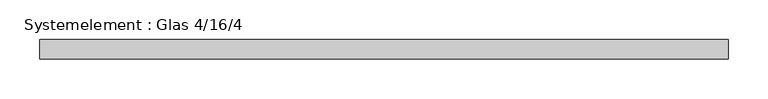
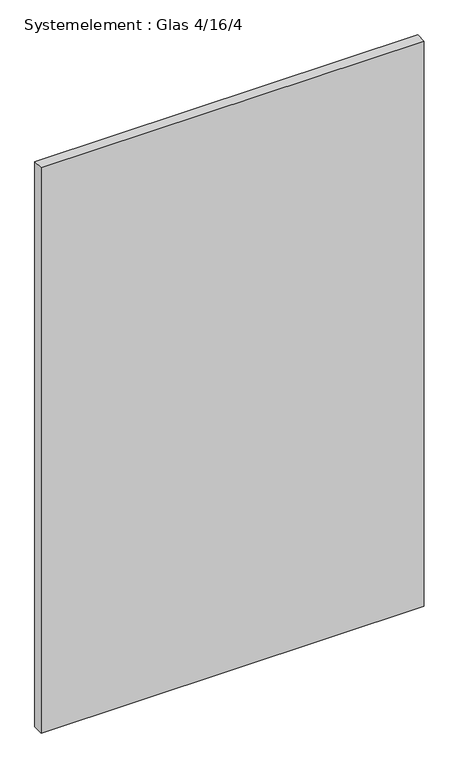
"""IFC4 building model written with IfcOpenShell, lengths in millimetres: plate geometry, Systemelement : Glas 4/16/4."""

from ifc_helpers import new_model, si_unit, origin, origin_with_axes, place, context, project, spatial, polyline, outline, extrude, source, transform, mapped, element, save


def systemelement_glas_4_16_4_74ad9eb2(model_context):
    return source(origin(), model_context, "Body", "SweptSolid", [
        extrude(outline(polyline([(431.2499999, -12.0), (-431.2499999, -12.0), (-431.2499999, 12.0), (431.2499999, 12.0), (431.2499999, -12.0)])), origin_with_axes(), (0.0, 0.0, 1.0), 1345.0),
    ])


if __name__ == "__main__":
    model = new_model("IFC4")
    model_context = context("Model", 3, world=origin())
    ifc_project = project(units=[si_unit("LENGTHUNIT", "METRE", prefix="MILLI")], contexts=[model_context])
    site = spatial("IfcSite", under=ifc_project)
    building = spatial("IfcBuilding", under=site)
    placement = place(None, origin())
    systemelement_glas_4_16_4_shape = systemelement_glas_4_16_4_74ad9eb2(model_context)
    element("IfcPlate", 1, ObjectType="Systemelement : Glas 4/16/4", at=placement, inside=building, context=model_context, shape_type="MappedRepresentation", body=[
        mapped(systemelement_glas_4_16_4_shape, transform((0.0, 0.0, 0.0), x_axis=(1.0, 0.0, 0.0), y_axis=(0.0, 1.0, 0.0), z_axis=(0.0, 0.0, 1.0))),
    ])
    save(model, "model.ifc")
